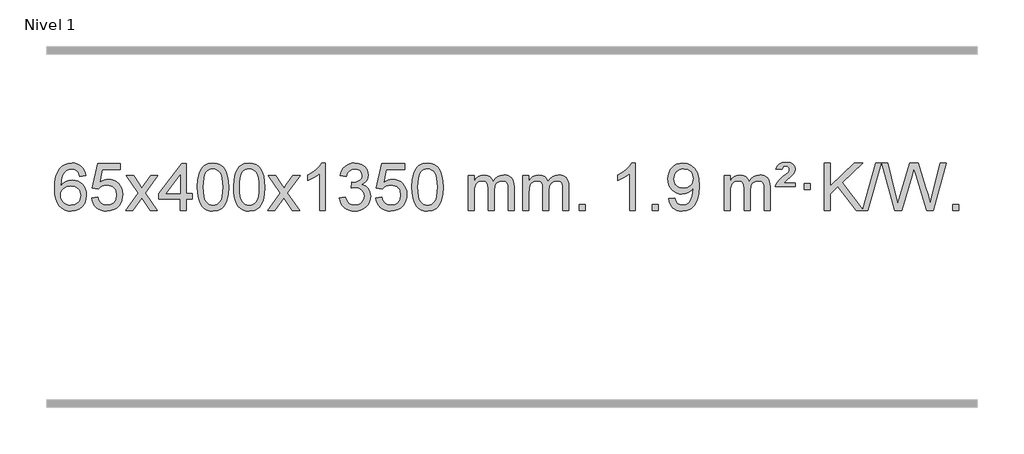
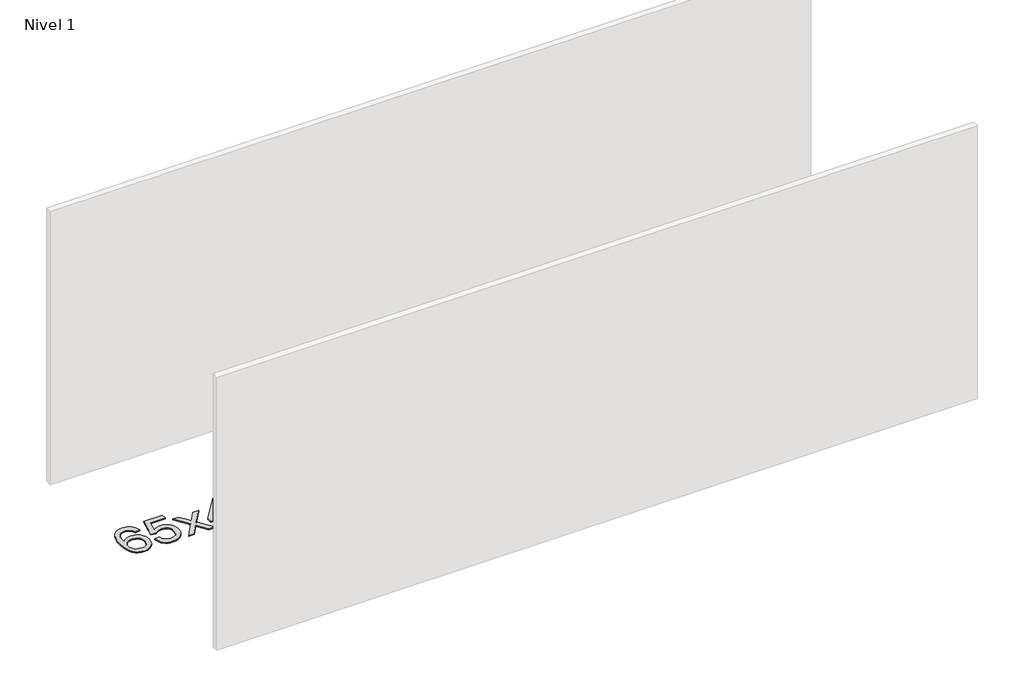
# One storey, part 3 of 10: 1 proxy.
"""IFC4 building model written with IfcOpenShell, lengths in millimetres."""

from ifc_helpers import new_model, si_unit, origin, origin_with_axes, place, context, project, spatial, polyline, outline, extrude, element, save

model = new_model("IFC4")

# Units and contexts
model_context = context("Model", 3, world=origin())
ifc_project = project(units=[si_unit("LENGTHUNIT", "METRE", prefix="MILLI")], contexts=[model_context])

# Site, building, storey
site = spatial("IfcSite", under=ifc_project)
building = spatial("IfcBuilding", under=site)
storey = spatial("IfcBuildingStorey", under=building, Name="Nivel 1", Elevation=0.0)

# Proxy
placement = place(None, origin())
element("IfcBuildingElementProxy", 1, Name="Texto de modelo 1", ObjectType="Texto de modelo 1", at=placement, inside=storey, context=model_context, shape_type="SweptSolid", body=[
    extrude(outline(polyline([(-11298.7504157, -3100.4890419), (-11348.9785708, -3106.7675613), (-11357.0719747, -3081.874213), (-11368.0103327, -3064.8780648), (-11390.7944909, -3049.2062918), (-11418.3365896, -3043.9823675), (-11441.6848336, -3047.0235253), (-11463.6596514, -3056.1469988), (-11482.5319978, -3075.3627017), (-11497.9462534, -3101.8134171), (-11508.3573138, -3139.227016), (-11512.2200748, -3191.3313693), (-11492.0724042, -3167.8237098), (-11467.9270826, -3151.2567573), (-11441.1330106, -3141.434308), (-11413.0390889, -3138.1601582), (-11388.90603, -3140.398107), (-11366.6369065, -3147.1119534), (-11346.2317185, -3158.3016975), (-11327.690466, -3173.9673391), (-11312.2823418, -3193.1769106), (-11301.2765387, -3214.9984443), (-11294.6730569, -3239.4319401), (-11292.4718963, -3266.4773982), (-11296.6167001, -3302.4439945), (-11309.0511116, -3335.786366), (-11328.745061, -3364.0642287), (-11354.668479, -3384.8372987), (-11385.644143, -3397.602804), (-11420.4948306, -3401.8579724), (-11450.4373594, -3399.0375437), (-11477.4797517, -3390.5762579), (-11501.6220076, -3376.4741147), (-11522.8641272, -3356.7311143), (-11540.1821721, -3330.5133908), (-11552.5522042, -3296.9870783), (-11559.9742234, -3256.1521768), (-11562.4482298, -3208.0086864), (-11559.7013776, -3154.0342663), (-11551.4608209, -3107.9693092), (-11537.7265598, -3069.8138149), (-11518.4985942, -3039.5677835), (-11497.6580791, -3019.5243462), (-11473.4943634, -3005.2076052), (-11446.007447, -2996.6175606), (-11415.1973299, -2993.7542124), (-11392.0636838, -2995.5261773), (-11371.1250669, -3000.8420722), (-11352.3814792, -3009.7018969), (-11335.8329208, -3022.1056515), (-11321.9269814, -3037.6364031), (-11311.1112507, -3055.8772186), (-11303.3857288, -3076.8280983), (-11298.7504157, -3100.4890419)]), holes=[polyline([(-11512.2200748, -3265.6925832), (-11509.313807, -3287.9494439), (-11500.5950037, -3309.2007605), (-11487.0569463, -3327.472233), (-11469.6929161, -3340.7895612), (-11448.7359051, -3348.9197533), (-11424.4189053, -3351.6298173), (-11391.2727375, -3346.0134855), (-11377.357601, -3338.9930708), (-11365.2144295, -3329.1644901), (-11355.3643891, -3316.9262824), (-11348.3286459, -3302.6769865), (-11342.7000514, -3268.1451299), (-11348.2550695, -3234.9989621), (-11355.1988422, -3221.3781312), (-11364.9201239, -3209.725469), (-11377.1000836, -3200.3904634), (-11391.4198903, -3193.7226022), (-11426.4790444, -3188.3883133), (-11459.5761613, -3193.7226022), (-11487.25315, -3209.725469), (-11498.1761796, -3221.2248471), (-11505.9783436, -3234.3858254), (-11510.659642, -3249.2084042), (-11512.2200748, -3265.6925832)])]), origin_with_axes(), (0.0, 0.0, 1.0), 10.0),
    extrude(outline(polyline([(-11248.5222606, -3288.8446235), (-11198.2941056, -3282.5661041), (-11189.0725302, -3312.7201649), (-11172.9838243, -3334.3148381), (-11150.1015642, -3347.3010725), (-11120.4993263, -3351.6298173), (-11101.3694626, -3350.1245668), (-11084.4959417, -3345.6088153), (-11069.8787638, -3338.0825628), (-11057.5179287, -3327.5458094), (-11047.6893481, -3314.519721), (-11040.6689334, -3299.5254641), (-11035.0526016, -3263.6324441), (-11040.3133141, -3229.8363514), (-11046.8892048, -3215.9181493), (-11056.0954517, -3203.9865099), (-11067.9627117, -3194.4154467), (-11082.5216417, -3187.5789729), (-11119.7145114, -3182.1097939), (-11144.0805622, -3184.2925604), (-11163.8112999, -3190.8408599), (-11179.568912, -3200.8717757), (-11192.0155862, -3213.5023908), (-11242.2437412, -3207.2238715), (-11198.2941056, -3000.0327318), (-11003.6600046, -3000.0327318), (-11003.6600046, -3050.2608869), (-11157.6799333, -3050.2608869), (-11179.1642418, -3160.919791), (-11161.438461, -3148.2155994), (-11143.2834845, -3139.1411769), (-11124.6993124, -3133.6965234), (-11105.6859446, -3131.8816388), (-11081.2248576, -3134.1318504), (-11058.7564648, -3140.882485), (-11038.2807661, -3152.1335427), (-11019.7977615, -3167.8850234), (-11004.4969362, -3187.1743027), (-10993.5677752, -3209.038756), (-10987.0102787, -3233.4783832), (-10984.8244465, -3260.4931844), (-10986.7926152, -3286.5147042), (-10992.6971212, -3310.7213394), (-11002.5379646, -3333.1130902), (-11016.3151453, -3353.6899565), (-11037.1863171, -3374.7634634), (-11061.5401052, -3389.8159684), (-11089.3765095, -3398.8474714), (-11120.69553, -3401.8579724), (-11146.6158823, -3399.9235262), (-11170.0285056, -3394.1201877), (-11190.9334, -3384.447957), (-11209.3305654, -3370.9068338), (-11224.6375221, -3354.1712688), (-11236.2717902, -3334.915712), (-11244.2333697, -3313.1401636), (-11248.5222606, -3288.8446235)])), origin_with_axes(), (0.0, 0.0, 1.0), 10.0),
    extrude(outline(polyline([(-10959.7103689, -3395.579453), (-10852.3869282, -3247.2494325), (-10953.4318496, -3100.4890419), (-10893.0011005, -3100.4890419), (-10844.2444734, -3171.122385), (-10821.4848406, -3204.4770192), (-10801.7663657, -3177.2047007), (-10746.2407099, -3100.4890419), (-10685.8099608, -3100.4890419), (-10791.9561791, -3247.2494325), (-10689.7340354, -3395.579453), (-10750.1647845, -3395.579453), (-10811.6746541, -3306.4048574), (-10822.9563686, -3290.1199477), (-10899.2796199, -3395.579453), (-10959.7103689, -3395.579453)])), origin_with_axes(), (0.0, 0.0, 1.0), 10.0),
    extrude(outline(polyline([(-10495.0999345, -3395.579453), (-10495.0999345, -3301.4016622), (-10677.1769967, -3301.4016622), (-10677.1769967, -3251.1735072), (-10482.5428957, -3000.0327318), (-10444.8717794, -3000.0327318), (-10444.8717794, -3251.1735072), (-10394.6436244, -3251.1735072), (-10394.6436244, -3301.4016622), (-10444.8717794, -3301.4016622), (-10444.8717794, -3395.579453), (-10495.0999345, -3395.579453)]), holes=[polyline([(-10495.0999345, -3251.1735072), (-10495.0999345, -3095.9763561), (-10615.3728215, -3251.1735072), (-10495.0999345, -3251.1735072)])]), origin_with_axes(), (0.0, 0.0, 1.0), 10.0),
    extrude(outline(polyline([(-10350.6939887, -3197.9041943), (-10347.002906, -3133.5861588), (-10335.9296579, -3082.2911459), (-10317.5846091, -3043.2343407), (-10305.7265461, -3028.0009605), (-10292.0781241, -3015.6309284), (-10276.5933578, -3006.0598651), (-10259.2262619, -2999.2233914), (-10218.8450816, -2993.7542124), (-10187.8939431, -2996.991574), (-10160.1801661, -3006.7036586), (-10137.0036004, -3022.5103217), (-10119.6640957, -3044.0314184), (-10106.5674967, -3071.0830078), (-10096.119648, -3103.4811488), (-10089.2770429, -3144.6226186), (-10086.9961745, -3197.9041943), (-10090.650469, -3261.8543477), (-10101.6133525, -3313.0267333), (-10119.8480367, -3352.1203266), (-10131.6785085, -3367.3996922), (-10145.3177335, -3379.8341036), (-10160.8208939, -3389.4695462), (-10178.2431721, -3396.3520052), (-10218.8450816, -3401.8579724), (-10246.5098076, -3399.4667394), (-10271.035274, -3392.2930405), (-10292.4214806, -3380.3368757), (-10310.6684276, -3363.5982449), (-10328.1796106, -3333.3399508), (-10340.6875984, -3295.6381776), (-10348.1923911, -3250.4929255), (-10350.6939887, -3197.9041943)]), holes=[polyline([(-10300.4658336, -3197.8060924), (-10298.9943056, -3241.4706195), (-10294.5797217, -3276.8148822), (-10287.2220818, -3303.8388804), (-10276.9213859, -3322.5426142), (-10264.462449, -3335.2682656), (-10250.630086, -3344.3580165), (-10235.4242968, -3349.8118671), (-10218.8450816, -3351.6298173), (-10202.2658663, -3349.8057357), (-10187.0600772, -3344.3334911), (-10173.2277142, -3335.2130833), (-10160.7687773, -3322.4445124), (-10150.4680814, -3303.7101217), (-10143.1104415, -3276.6922549), (-10138.6958576, -3241.3909118), (-10137.2243296, -3197.8060924), (-10138.6468066, -3155.2973278), (-10142.9142378, -3120.5753989), (-10150.026623, -3093.6403055), (-10159.9839624, -3074.4920476), (-10172.2344328, -3061.1440625), (-10186.2262114, -3051.6097875), (-10201.959298, -3045.8892225), (-10219.4336928, -3043.9823675), (-10235.9270689, -3045.6623619), (-10250.8753406, -3050.7023452), (-10264.278508, -3059.1023175), (-10276.136571, -3070.8622786), (-10286.7806234, -3091.708925), (-10294.3835179, -3119.8151094), (-10298.9452547, -3155.1808319), (-10300.4658336, -3197.8060924)])]), origin_with_axes(), (0.0, 0.0, 1.0), 10.0),
    extrude(outline(polyline([(-10043.0465388, -3197.9041943), (-10039.3554561, -3133.5861588), (-10028.2822081, -3082.2911459), (-10009.9371593, -3043.2343407), (-9998.0790963, -3028.0009605), (-9984.4306743, -3015.6309284), (-9968.945908, -3006.0598651), (-9951.5788121, -2999.2233914), (-9911.1976318, -2993.7542124), (-9880.2464932, -2996.991574), (-9852.5327163, -3006.7036586), (-9829.3561506, -3022.5103217), (-9812.0166459, -3044.0314184), (-9798.9200468, -3071.0830078), (-9788.4721982, -3103.4811488), (-9781.6295931, -3144.6226186), (-9779.3487247, -3197.9041943), (-9783.0030192, -3261.8543477), (-9793.9659026, -3313.0267333), (-9812.2005869, -3352.1203266), (-9824.0310587, -3367.3996922), (-9837.6702837, -3379.8341036), (-9853.1734441, -3389.4695462), (-9870.5957222, -3396.3520052), (-9911.1976318, -3401.8579724), (-9938.8623578, -3399.4667394), (-9963.3878241, -3392.2930405), (-9984.7740308, -3380.3368757), (-10003.0209778, -3363.5982449), (-10020.5321607, -3333.3399508), (-10033.0401486, -3295.6381776), (-10040.5449413, -3250.4929255), (-10043.0465388, -3197.9041943)]), holes=[polyline([(-9992.8183838, -3197.8060924), (-9991.3468558, -3241.4706195), (-9986.9322718, -3276.8148822), (-9979.5746319, -3303.8388804), (-9969.2739361, -3322.5426142), (-9956.8149992, -3335.2682656), (-9942.9826361, -3344.3580165), (-9927.776847, -3349.8118671), (-9911.1976318, -3351.6298173), (-9894.6184165, -3349.8057357), (-9879.4126274, -3344.3334911), (-9865.5802644, -3335.2130833), (-9853.1213275, -3322.4445124), (-9842.8206316, -3303.7101217), (-9835.4629917, -3276.6922549), (-9831.0484077, -3241.3909118), (-9829.5768798, -3197.8060924), (-9830.9993568, -3155.2973278), (-9835.266788, -3120.5753989), (-9842.3791732, -3093.6403055), (-9852.3365125, -3074.4920476), (-9864.586983, -3061.1440625), (-9878.5787615, -3051.6097875), (-9894.3118482, -3045.8892225), (-9911.786243, -3043.9823675), (-9928.2796191, -3045.6623619), (-9943.2278908, -3050.7023452), (-9956.6310582, -3059.1023175), (-9968.4891211, -3070.8622786), (-9979.1331735, -3091.708925), (-9986.7360681, -3119.8151094), (-9991.2978048, -3155.1808319), (-9992.8183838, -3197.8060924)])]), origin_with_axes(), (0.0, 0.0, 1.0), 10.0),
    extrude(outline(polyline([(-9754.2346472, -3395.579453), (-9646.9112064, -3247.2494325), (-9747.9561278, -3100.4890419), (-9687.5253787, -3100.4890419), (-9638.7687516, -3171.122385), (-9616.0091188, -3204.4770192), (-9596.2906439, -3177.2047007), (-9540.7649881, -3100.4890419), (-9480.334239, -3100.4890419), (-9586.4804574, -3247.2494325), (-9484.2583136, -3395.579453), (-9544.6890627, -3395.579453), (-9606.1989323, -3306.4048574), (-9617.4806468, -3290.1199477), (-9693.8038981, -3395.579453), (-9754.2346472, -3395.579453)])), origin_with_axes(), (0.0, 0.0, 1.0), 10.0),
    extrude(outline(polyline([(-9264.5101352, -3395.579453), (-9314.7382902, -3395.579453), (-9314.7382902, -3082.4382987), (-9335.707564, -3099.3976587), (-9362.317695, -3116.3324932), (-9415.1946004, -3141.6918254), (-9415.1946004, -3094.2105225), (-9375.7453878, -3072.7507395), (-9341.5691504, -3047.219729), (-9314.6279257, -3020.0700378), (-9296.8837508, -2993.7542124), (-9264.5101352, -2993.7542124), (-9264.5101352, -3395.579453)])), origin_with_axes(), (0.0, 0.0, 1.0), 10.0),
    extrude(outline(polyline([(-9145.2182669, -3288.8446235), (-9094.9901118, -3282.5661041), (-9083.7451855, -3314.1303793), (-9067.2763348, -3335.4430095), (-9044.7742195, -3347.5831154), (-9015.429499, -3351.6298173), (-8980.9957442, -3346.0625364), (-8966.7219228, -3339.1034354), (-8954.4101387, -3329.3606939), (-8937.4139905, -3304.4428201), (-8931.7486078, -3274.2274455), (-8937.3649396, -3245.5449126), (-8954.213935, -3222.2825078), (-8979.72042, -3206.8682522), (-9011.3092206, -3201.730167), (-9046.5277903, -3207.2238715), (-9040.935984, -3156.9957164), (-9032.891631, -3157.5843276), (-9002.7988838, -3153.979084), (-8975.8944472, -3143.1633534), (-8964.8211992, -3134.9841103), (-8956.9117363, -3124.8673555), (-8952.1660585, -3112.8130888), (-8950.584166, -3098.8213102), (-8955.1704282, -3077.1285352), (-8968.9292148, -3059.5315131), (-8989.923014, -3047.8696539), (-9016.2143139, -3043.9823675), (-9042.5546648, -3047.9064421), (-9064.0880242, -3059.6786659), (-9079.8088481, -3079.299039), (-9088.7115924, -3106.7675613), (-9138.9397475, -3100.4890419), (-9132.9861905, -3076.5092672), (-9124.1508913, -3055.3867093), (-9112.4338497, -3037.1213683), (-9097.8350659, -3021.713244), (-9080.8143922, -3009.4811677), (-9061.8316813, -3000.7439703), (-9040.886933, -2995.5016519), (-9017.9801475, -2993.7542124), (-8986.4036096, -2997.2000404), (-8957.4022456, -3007.5375245), (-8932.9503557, -3023.8469596), (-8915.0222398, -3045.2086408), (-8904.0225681, -3069.8199463), (-8900.3560109, -3095.8782543), (-8903.8386271, -3120.1584659), (-8914.2864758, -3142.1823347), (-8931.5524041, -3160.9443165), (-8955.4892592, -3175.4388671), (-8924.0476114, -3188.1430586), (-8900.7484183, -3209.77452), (-8886.3274441, -3239.1560286), (-8881.5204527, -3275.1103623), (-8883.9239484, -3300.5923218), (-8891.1344355, -3324.0631931), (-8903.151914, -3345.5229762), (-8919.976384, -3364.971671), (-8940.4735425, -3381.1094278), (-8963.5090867, -3392.636397), (-8989.0830168, -3399.5525785), (-9017.1953326, -3401.8579724), (-9042.6037157, -3399.8898037), (-9065.7557559, -3393.9852977), (-9086.6514532, -3384.1444543), (-9105.2908077, -3370.3672736), (-9120.9196611, -3353.4630959), (-9132.7838554, -3334.2412617), (-9140.8833907, -3312.7017708), (-9145.2182669, -3288.8446235)])), origin_with_axes(), (0.0, 0.0, 1.0), 10.0),
    extrude(outline(polyline([(-8837.570817, -3288.8446235), (-8787.342662, -3282.5661041), (-8778.1210866, -3312.7201649), (-8762.0323807, -3334.3148381), (-8739.1501206, -3347.3010725), (-8709.5478827, -3351.6298173), (-8690.418019, -3350.1245668), (-8673.5444981, -3345.6088153), (-8658.9273202, -3338.0825628), (-8646.5664851, -3327.5458094), (-8636.7379045, -3314.519721), (-8629.7174898, -3299.5254641), (-8624.101158, -3263.6324441), (-8629.3618705, -3229.8363514), (-8635.9377612, -3215.9181493), (-8645.1440081, -3203.9865099), (-8657.0112681, -3194.4154467), (-8671.5701981, -3187.5789729), (-8708.7630678, -3182.1097939), (-8733.1291186, -3184.2925604), (-8752.8598563, -3190.8408599), (-8768.6174684, -3200.8717757), (-8781.0641426, -3213.5023908), (-8831.2922977, -3207.2238715), (-8787.342662, -3000.0327318), (-8592.708561, -3000.0327318), (-8592.708561, -3050.2608869), (-8746.7284897, -3050.2608869), (-8768.2127982, -3160.919791), (-8750.4870174, -3148.2155994), (-8732.332041, -3139.1411769), (-8713.7478688, -3133.6965234), (-8694.734501, -3131.8816388), (-8670.273414, -3134.1318504), (-8647.8050212, -3140.882485), (-8627.3293225, -3152.1335427), (-8608.8463179, -3167.8850234), (-8593.5454926, -3187.1743027), (-8582.6163316, -3209.038756), (-8576.0588351, -3233.4783832), (-8573.8730029, -3260.4931844), (-8575.8411716, -3286.5147042), (-8581.7456776, -3310.7213394), (-8591.586521, -3333.1130902), (-8605.3637017, -3353.6899565), (-8626.2348735, -3374.7634634), (-8650.5886616, -3389.8159684), (-8678.4250659, -3398.8474714), (-8709.7440864, -3401.8579724), (-8735.6644387, -3399.9235262), (-8759.077062, -3394.1201877), (-8779.9819564, -3384.447957), (-8798.3791218, -3370.9068338), (-8813.6860785, -3354.1712688), (-8825.3203466, -3334.915712), (-8833.2819261, -3313.1401636), (-8837.570817, -3288.8446235)])), origin_with_axes(), (0.0, 0.0, 1.0), 10.0),
    extrude(outline(polyline([(-8529.9233672, -3197.9041943), (-8526.2322845, -3133.5861588), (-8515.1590365, -3082.2911459), (-8496.8139876, -3043.2343407), (-8484.9559247, -3028.0009605), (-8471.3075026, -3015.6309284), (-8455.8227363, -3006.0598651), (-8438.4556405, -2999.2233914), (-8398.0744601, -2993.7542124), (-8367.1233216, -2996.991574), (-8339.4095446, -3006.7036586), (-8316.2329789, -3022.5103217), (-8298.8934742, -3044.0314184), (-8285.7968752, -3071.0830078), (-8275.3490265, -3103.4811488), (-8268.5064214, -3144.6226186), (-8266.2255531, -3197.9041943), (-8269.8798475, -3261.8543477), (-8280.842731, -3313.0267333), (-8299.0774152, -3352.1203266), (-8310.9078871, -3367.3996922), (-8324.547112, -3379.8341036), (-8340.0502724, -3389.4695462), (-8357.4725506, -3396.3520052), (-8398.0744601, -3401.8579724), (-8425.7391862, -3399.4667394), (-8450.2646525, -3392.2930405), (-8471.6508592, -3380.3368757), (-8489.8978061, -3363.5982449), (-8507.4089891, -3333.3399508), (-8519.9169769, -3295.6381776), (-8527.4217696, -3250.4929255), (-8529.9233672, -3197.9041943)]), holes=[polyline([(-8479.6952121, -3197.8060924), (-8478.2236842, -3241.4706195), (-8473.8091002, -3276.8148822), (-8466.4514603, -3303.8388804), (-8456.1507644, -3322.5426142), (-8443.6918275, -3335.2682656), (-8429.8594645, -3344.3580165), (-8414.6536754, -3349.8118671), (-8398.0744601, -3351.6298173), (-8381.4952449, -3349.8057357), (-8366.2894558, -3344.3334911), (-8352.4570927, -3335.2130833), (-8339.9981558, -3322.4445124), (-8329.69746, -3303.7101217), (-8322.3398201, -3276.6922549), (-8317.9252361, -3241.3909118), (-8316.4537081, -3197.8060924), (-8317.8761852, -3155.2973278), (-8322.1436163, -3120.5753989), (-8329.2560016, -3093.6403055), (-8339.2133409, -3074.4920476), (-8351.4638113, -3061.1440625), (-8365.4555899, -3051.6097875), (-8381.1886766, -3045.8892225), (-8398.6630713, -3043.9823675), (-8415.1564474, -3045.6623619), (-8430.1047192, -3050.7023452), (-8443.5078865, -3059.1023175), (-8455.3659495, -3070.8622786), (-8466.0100019, -3091.708925), (-8473.6128965, -3119.8151094), (-8478.1746332, -3155.1808319), (-8479.6952121, -3197.8060924)])]), origin_with_axes(), (0.0, 0.0, 1.0), 10.0),
    extrude(outline(polyline([(-8052.755894, -3395.579453), (-8052.755894, -3100.4890419), (-8002.5277389, -3100.4890419), (-8002.5277389, -3149.0494653), (-7987.4200517, -3126.7435537), (-7967.9958823, -3109.2691589), (-7944.9174185, -3097.9751816), (-7918.8468478, -3094.2105225), (-7890.9123416, -3098.048758), (-7868.5205908, -3109.5634645), (-7851.7942228, -3127.9943524), (-7840.8558648, -3152.5811324), (-7822.5476041, -3127.0439906), (-7801.6641696, -3108.803175), (-7778.205561, -3097.8586857), (-7752.1717785, -3094.2105225), (-7732.0639617, -3095.7280358), (-7714.414823, -3100.2805755), (-7699.2243623, -3107.8681416), (-7686.4925796, -3118.4907342), (-7676.4279413, -3132.2709806), (-7669.238914, -3149.3315082), (-7664.9254976, -3169.6723168), (-7663.4876922, -3193.2934066), (-7663.4876922, -3395.579453), (-7713.7158472, -3395.579453), (-7713.7158472, -3214.875817), (-7714.8808069, -3189.8230531), (-7718.3756858, -3172.9372695), (-7724.9239854, -3161.3735121), (-7735.2492067, -3152.2868268), (-7748.5297467, -3146.4007149), (-7763.9440023, -3144.4386776), (-7791.1550072, -3149.4663982), (-7813.3382915, -3164.54956), (-7821.9436645, -3176.1194488), (-7828.0903595, -3190.7182326), (-7833.0077155, -3229.0024856), (-7833.0077155, -3395.579453), (-7883.2358706, -3395.579453), (-7883.2358706, -3209.2840106), (-7886.1421384, -3180.8835206), (-7894.8609417, -3160.6254854), (-7910.2016209, -3148.4853796), (-7932.9735164, -3144.4386776), (-7952.3241093, -3147.1364789), (-7970.1541233, -3155.2298828), (-7984.8694032, -3168.5226856), (-7994.8757934, -3186.8186835), (-8000.6147525, -3212.2025411), (-8002.5277389, -3246.7589232), (-8002.5277389, -3395.579453), (-8052.755894, -3395.579453)])), origin_with_axes(), (0.0, 0.0, 1.0), 10.0),
    extrude(outline(polyline([(-7588.1454596, -3395.579453), (-7588.1454596, -3100.4890419), (-7537.9173045, -3100.4890419), (-7537.9173045, -3149.0494653), (-7522.8096172, -3126.7435537), (-7503.3854479, -3109.2691589), (-7480.306984, -3097.9751816), (-7454.2364133, -3094.2105225), (-7426.3019071, -3098.048758), (-7403.9101564, -3109.5634645), (-7387.1837883, -3127.9943524), (-7376.2454303, -3152.5811324), (-7357.9371697, -3127.0439906), (-7337.0537351, -3108.803175), (-7313.5951266, -3097.8586857), (-7287.561344, -3094.2105225), (-7267.4535273, -3095.7280358), (-7249.8043886, -3100.2805755), (-7234.6139279, -3107.8681416), (-7221.8821452, -3118.4907342), (-7211.8175069, -3132.2709806), (-7204.6284796, -3149.3315082), (-7200.3150632, -3169.6723168), (-7198.8772577, -3193.2934066), (-7198.8772577, -3395.579453), (-7249.1054128, -3395.579453), (-7249.1054128, -3214.875817), (-7250.2703724, -3189.8230531), (-7253.7652514, -3172.9372695), (-7260.3135509, -3161.3735121), (-7270.6387722, -3152.2868268), (-7283.9193123, -3146.4007149), (-7299.3335679, -3144.4386776), (-7326.5445728, -3149.4663982), (-7348.7278571, -3164.54956), (-7357.3332301, -3176.1194488), (-7363.4799251, -3190.7182326), (-7368.3972811, -3229.0024856), (-7368.3972811, -3395.579453), (-7418.6254362, -3395.579453), (-7418.6254362, -3209.2840106), (-7421.5317039, -3180.8835206), (-7430.2505072, -3160.6254854), (-7445.5911864, -3148.4853796), (-7468.3630819, -3144.4386776), (-7487.7136749, -3147.1364789), (-7505.5436889, -3155.2298828), (-7520.2589687, -3168.5226856), (-7530.265359, -3186.8186835), (-7536.0043181, -3212.2025411), (-7537.9173045, -3246.7589232), (-7537.9173045, -3395.579453), (-7588.1454596, -3395.579453)])), origin_with_axes(), (0.0, 0.0, 1.0), 10.0),
    extrude(outline(polyline([(-7110.9779863, -3395.579453), (-7110.9779863, -3345.3512979), (-7060.7498313, -3345.3512979), (-7060.7498313, -3395.579453), (-7110.9779863, -3395.579453)])), origin_with_axes(), (0.0, 0.0, 1.0), 10.0),
    extrude(outline(polyline([(-6633.8105131, -3395.579453), (-6684.0386682, -3395.579453), (-6684.0386682, -3082.4382987), (-6705.0079419, -3099.3976587), (-6731.6180729, -3116.3324932), (-6784.4949784, -3141.6918254), (-6784.4949784, -3094.2105225), (-6745.0457657, -3072.7507395), (-6710.8695284, -3047.219729), (-6683.9283036, -3020.0700378), (-6666.1841287, -2993.7542124), (-6633.8105131, -2993.7542124), (-6633.8105131, -3395.579453)])), origin_with_axes(), (0.0, 0.0, 1.0), 10.0),
    extrude(outline(polyline([(-6489.4045673, -3395.579453), (-6489.4045673, -3345.3512979), (-6439.1764122, -3345.3512979), (-6439.1764122, -3395.579453), (-6489.4045673, -3395.579453)])), origin_with_axes(), (0.0, 0.0, 1.0), 10.0),
    extrude(outline(polyline([(-6351.2771408, -3295.1231428), (-6301.0489858, -3288.8446235), (-6292.4650725, -3317.3554781), (-6278.4855567, -3336.7673847), (-6259.4537948, -3347.9142092), (-6235.7131434, -3351.6298173), (-6214.4127759, -3349.2385843), (-6195.0499202, -3342.0648854), (-6178.9612143, -3330.8935355), (-6167.483296, -3316.5093495), (-6151.0512336, -3272.8540194), (-6145.6065801, -3244.4535294), (-6143.7916956, -3214.5815114), (-6144.0860012, -3204.7713248), (-6161.4868195, -3226.0103787), (-6184.258715, -3242.8348486), (-6210.7584814, -3253.7977321), (-6239.3429124, -3257.4520265), (-6263.2031255, -3255.2202091), (-6285.1442208, -3248.5247568), (-6305.1661984, -3237.3656696), (-6323.2690583, -3221.7429475), (-6338.2694466, -3202.4720624), (-6348.9840097, -3180.3684858), (-6355.4127476, -3155.4322179), (-6357.5556602, -3127.6632586), (-6355.3085144, -3098.968463), (-6348.5670768, -3073.2167234), (-6337.3313475, -3050.4080397), (-6321.6013266, -3030.5424119), (-6302.4867912, -3014.4475746), (-6281.0975189, -3002.9512623), (-6257.4335095, -2996.0534749), (-6231.4947632, -2993.7542124), (-6194.0321134, -2999.0026622), (-6159.9294524, -3014.7480116), (-6131.4063351, -3040.2054457), (-6110.682316, -3074.5901495), (-6098.0639636, -3122.1205032), (-6093.8578461, -3187.0148872), (-6098.0517008, -3255.821083), (-6110.6332651, -3309.0045568), (-6131.4921742, -3348.9688042), (-6144.9842464, -3364.8950289), (-6160.5180636, -3378.117321), (-6177.7809262, -3388.503856), (-6196.4601345, -3395.9228095), (-6238.0675882, -3401.8579724), (-6260.6248859, -3400.1074672), (-6281.0116798, -3394.8559517), (-6299.2279699, -3386.1034259), (-6315.2737562, -3373.8498898), (-6328.7443686, -3358.4264372), (-6339.2351369, -3340.1641618), (-6346.7460609, -3319.0630637), (-6351.2771408, -3295.1231428)]), holes=[polyline([(-6144.0860012, -3126.4860363), (-6149.5061292, -3092.444689), (-6156.2812893, -3078.3670713), (-6165.7665134, -3066.2514909), (-6177.4958177, -3056.5087494), (-6191.0032183, -3049.5496483), (-6223.3523084, -3043.9823675), (-6240.9615932, -3045.4814866), (-6256.9031463, -3049.978844), (-6271.1769678, -3057.4744396), (-6283.7830575, -3067.9682736), (-6294.0837533, -3080.8472091), (-6301.4413932, -3095.4981095), (-6305.8559772, -3111.9209749), (-6307.3275051, -3130.1158053), (-6301.7602243, -3161.1527829), (-6294.8011232, -3174.2708417), (-6285.0583817, -3185.7886139), (-6272.93667, -3195.1665391), (-6258.8406582, -3201.8650571), (-6224.7257345, -3207.2238715), (-6192.6341618, -3201.8650571), (-6166.796583, -3185.7886139), (-6156.8607034, -3174.0439812), (-6149.7636466, -3160.2453407), (-6144.0860012, -3126.4860363)])]), origin_with_axes(), (0.0, 0.0, 1.0), 10.0),
    extrude(outline(polyline([(-5880.388187, -3395.579453), (-5880.388187, -3100.4890419), (-5830.1600319, -3100.4890419), (-5830.1600319, -3149.0494653), (-5815.0523447, -3126.7435537), (-5795.6281753, -3109.2691589), (-5772.5497115, -3097.9751816), (-5746.4791408, -3094.2105225), (-5718.5446346, -3098.048758), (-5696.1528838, -3109.5634645), (-5679.4265158, -3127.9943524), (-5668.4881578, -3152.5811324), (-5650.1798972, -3127.0439906), (-5629.2964626, -3108.803175), (-5605.837854, -3097.8586857), (-5579.8040715, -3094.2105225), (-5559.6962548, -3095.7280358), (-5542.047116, -3100.2805755), (-5526.8566553, -3107.8681416), (-5514.1248726, -3118.4907342), (-5504.0602344, -3132.2709806), (-5496.871207, -3149.3315082), (-5492.5577906, -3169.6723168), (-5491.1199852, -3193.2934066), (-5491.1199852, -3395.579453), (-5541.3481403, -3395.579453), (-5541.3481403, -3214.875817), (-5542.5130999, -3189.8230531), (-5546.0079789, -3172.9372695), (-5552.5562784, -3161.3735121), (-5562.8814997, -3152.2868268), (-5576.1620397, -3146.4007149), (-5591.5762953, -3144.4386776), (-5618.7873002, -3149.4663982), (-5640.9705845, -3164.54956), (-5649.5759576, -3176.1194488), (-5655.7226526, -3190.7182326), (-5660.6400086, -3229.0024856), (-5660.6400086, -3395.579453), (-5710.8681636, -3395.579453), (-5710.8681636, -3209.2840106), (-5713.7744314, -3180.8835206), (-5722.4932347, -3160.6254854), (-5737.8339139, -3148.4853796), (-5760.6058094, -3144.4386776), (-5779.9564023, -3147.1364789), (-5797.7864164, -3155.2298828), (-5812.5016962, -3168.5226856), (-5822.5080864, -3186.8186835), (-5828.2470456, -3212.2025411), (-5830.1600319, -3246.7589232), (-5830.1600319, -3395.579453), (-5880.388187, -3395.579453)])), origin_with_axes(), (0.0, 0.0, 1.0), 10.0),
    extrude(outline(polyline([(-5447.1703495, -3194.6668327), (-5443.3443767, -3178.8479069), (-5435.0057182, -3162.9799302), (-5413.4968842, -3137.8413272), (-5381.5402016, -3110.1030247), (-5337.3943621, -3072.726214), (-5330.2574514, -3061.1992448), (-5327.8784812, -3049.3779701), (-5329.7669421, -3037.2869152), (-5335.4323248, -3027.5012541), (-5344.801053, -3021.026531), (-5357.7995501, -3018.8682899), (-5370.2339616, -3020.4869707), (-5379.0876549, -3025.343013), (-5385.5133271, -3034.8098431), (-5390.663675, -3050.2608869), (-5440.8918301, -3043.9823675), (-5430.051574, -3018.7701881), (-5413.4233078, -3001.2099542), (-5389.6581309, -2990.9092583), (-5357.4071427, -2987.475693), (-5321.6244873, -2991.6082341), (-5296.8782917, -3004.0058573), (-5282.4573175, -3022.3386434), (-5277.6503261, -3044.2766731), (-5281.746079, -3067.1834586), (-5294.0333376, -3088.8149199), (-5314.561153, -3108.6314968), (-5351.0305214, -3136.6886303), (-5376.6351083, -3163.2742358), (-5277.6503261, -3163.2742358), (-5277.6503261, -3194.6668327), (-5447.1703495, -3194.6668327)])), origin_with_axes(), (0.0, 0.0, 1.0), 10.0),
    extrude(outline(polyline([(-5202.3080935, -3219.7809102), (-5202.3080935, -3169.5527552), (-5152.0799384, -3169.5527552), (-5152.0799384, -3219.7809102), (-5202.3080935, -3219.7809102)])), origin_with_axes(), (0.0, 0.0, 1.0), 10.0),
    extrude(outline(polyline([(-4761.4383105, -3395.579453), (-4914.8696279, -3192.9009991), (-4982.559915, -3257.4520265), (-4982.559915, -3395.579453), (-5032.7880701, -3395.579453), (-5032.7880701, -2993.7542124), (-4982.559915, -2993.7542124), (-4982.559915, -3190.4484525), (-4776.5459977, -2993.7542124), (-4706.3050621, -2993.7542124), (-4879.2586508, -3158.9577537), (-4704.6050409, -3389.5349332), (-4593.2917132, -2993.7542124), (-4547.9686514, -2993.7542124), (-4660.9820003, -3395.579453), (-4700.0265428, -3395.579453), (-4706.3050621, -3395.579453), (-4761.4383105, -3395.579453)])), origin_with_axes(), (0.0, 0.0, 1.0), 10.0),
    extrude(outline(polyline([(-4433.4837745, -3395.579453), (-4543.0635581, -2993.7542124), (-4491.2657732, -2993.7542124), (-4427.6957645, -3257.844434), (-4408.0753914, -3339.3670841), (-4387.0815922, -3267.2622131), (-4307.4228775, -2993.7542124), (-4232.7673579, -2993.7542124), (-4174.8872574, -3192.0180823), (-4150.0920109, -3265.5944814), (-4131.8205385, -3339.3670841), (-4112.7887766, -3260.1988788), (-4048.6301566, -2993.7542124), (-3996.8323717, -2993.7542124), (-4106.5102572, -3395.579453), (-4160.1719776, -3395.579453), (-4256.5080094, -3085.5775584), (-4269.9479649, -3042.3146358), (-4285.0556522, -3094.4067263), (-4372.8568217, -3395.579453), (-4433.4837745, -3395.579453)])), origin_with_axes(), (0.0, 0.0, 1.0), 10.0),
    extrude(outline(polyline([(-3940.3256972, -3395.579453), (-3940.3256972, -3345.3512979), (-3890.0975422, -3345.3512979), (-3890.0975422, -3395.579453), (-3940.3256972, -3395.579453)])), origin_with_axes(), (0.0, 0.0, 1.0), 10.0),
])

save(model, "model.ifc")
